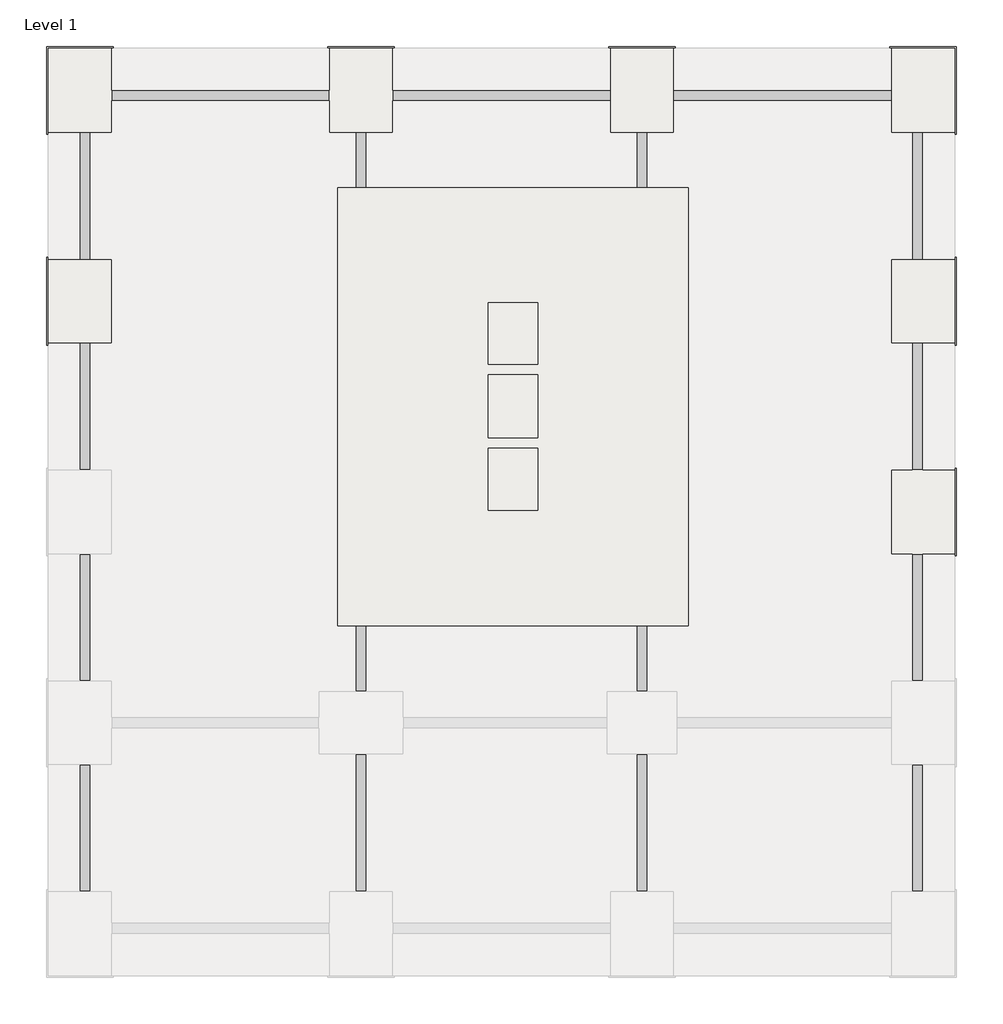
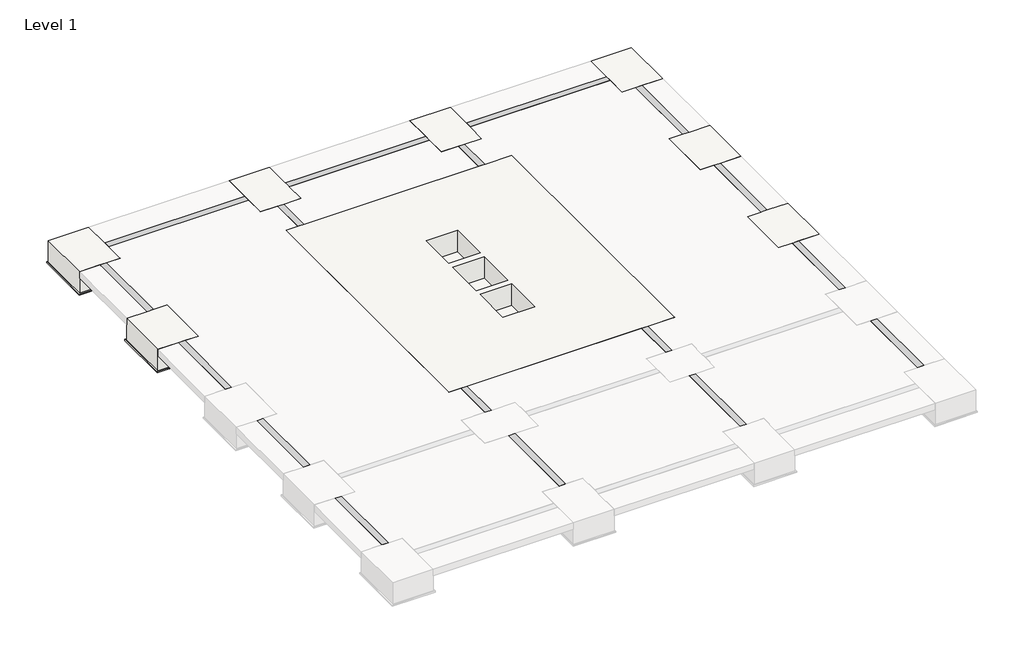
# One storey, part 2 of 2: 9 slabs, 5 beams.
"""IFC4 building model written with IfcOpenShell, lengths in millimetres."""

import ifcopenshell
import ifcopenshell.guid

model = None  # the IFC model being written
_history = None  # IfcOwnerHistory: only IFC2X3 demands one
_inside = {}  # id of a spatial element -> (the spatial element, [elements in it])
_under = {}  # id of a project, library or spatial element -> (it, [spatial elements below it])
_declared = {}  # id of a project -> (the project, [libraries it declares])
_typed = {}  # id of a type object -> (the type object, [elements of that type])
_made_of = {}  # id of a material, layer set ... -> (it, [elements and type objects made of it])


def new_model(schema):
    """Start an empty IFC model of exactly this schema.

    Asked for "IFC4X3", IfcOpenShell would pick the latest addendum, in which some entities
    have other attributes; the version numbers below select the first issue.
    IFC2X3 requires an IfcOwnerHistory on every rooted entity: one is made here for all.
    """
    global model, _history
    if schema == "IFC4X3":
        model = ifcopenshell.file(schema_version=(4, 3, 0, 0))
    else:
        model = ifcopenshell.file(schema=schema)
    _inside.clear()
    _under.clear()
    _declared.clear()
    _typed.clear()
    _made_of.clear()
    _history = None
    if model.schema == "IFC2X3":
        org = make("IfcOrganization", Name="unknown")
        user = make(
            "IfcPersonAndOrganization",
            ThePerson=make("IfcPerson", FamilyName="unknown"),
            TheOrganization=org,
        )
        app = make(
            "IfcApplication",
            ApplicationDeveloper=org,
            Version="unknown",
            ApplicationFullName="unknown",
            ApplicationIdentifier="unknown",
        )
        _history = make(
            "IfcOwnerHistory",
            OwningUser=user,
            OwningApplication=app,
            ChangeAction="ADDED",
            CreationDate=0,
        )
    return model


def make(cls, **values):
    """One entity of the class cls with the attributes given. An attribute that is None is left unset."""
    return model.create_entity(
        cls, **{name: value for name, value in values.items() if value is not None}
    )


def rooted(cls, **values):
    """An entity with a GlobalId (a new one), such as an element, a storey or a relation."""
    return make(cls, GlobalId=ifcopenshell.guid.new(), OwnerHistory=_history, **values)


def si_unit(unit_type, name, prefix=None):
    """IfcSIUnit, for example si_unit("LENGTHUNIT", "METRE", prefix="MILLI")."""
    return make("IfcSIUnit", UnitType=unit_type, Prefix=prefix, Name=name)


def assignment(units):
    """IfcUnitAssignment: the units of a project."""
    return None if units is None else make("IfcUnitAssignment", Units=units)


def point(xyz):
    """IfcCartesianPoint."""
    return None if xyz is None else make("IfcCartesianPoint", Coordinates=xyz)


def direction(xyz):
    """IfcDirection."""
    return None if xyz is None else make("IfcDirection", DirectionRatios=xyz)


def frame(location, z_axis=None, x_axis=None):
    """IfcAxis2Placement3D, a coordinate frame: its origin and axes. An axis left out is left unset."""
    return make(
        "IfcAxis2Placement3D",
        Location=point(location),
        Axis=direction(z_axis),
        RefDirection=direction(x_axis),
    )


def origin():
    """The frame at (0, 0, 0) with its axes left unset."""
    return frame((0.0, 0.0, 0.0))


def place(relative_to, where):
    """IfcLocalPlacement: puts the frame where relative to a parent placement (None: the world)."""
    return make(
        "IfcLocalPlacement", PlacementRelTo=relative_to, RelativePlacement=where
    )


def context(
    kind, dimensions, precision=None, world=None, true_north=None, identifier=None
):
    """IfcGeometricRepresentationContext, for example the 3D "Model" context."""
    return make(
        "IfcGeometricRepresentationContext",
        ContextIdentifier=identifier,
        ContextType=kind,
        CoordinateSpaceDimension=dimensions,
        Precision=precision,
        WorldCoordinateSystem=world,
        TrueNorth=true_north,
    )


def project(units=None, contexts=None):
    """IfcProject with its units and contexts."""
    return rooted(
        "IfcProject",
        Name="project",
        RepresentationContexts=contexts,
        UnitsInContext=assignment(units),
    )


def spatial(cls, under=None, at=None, **own):
    """A site, building, storey or space (cls), placed at a placement, below another one or the project."""
    s = rooted(cls, ObjectPlacement=at, **own)
    if under is not None:
        _under.setdefault(under.id(), (under, []))[1].append(s)
    return s


def polyline(points):
    """IfcPolyline through the points."""
    return make("IfcPolyline", Points=[point(p) for p in points])


def outline(outer, holes=None, kind="AREA"):
    """IfcArbitraryClosedProfileDef: a profile drawn as a closed curve; with holes, ...WithVoids."""
    if holes is None:
        return make("IfcArbitraryClosedProfileDef", ProfileType=kind, OuterCurve=outer)
    return make(
        "IfcArbitraryProfileDefWithVoids",
        ProfileType=kind,
        OuterCurve=outer,
        InnerCurves=holes,
    )


def extrude(swept, where, along, depth):
    """IfcExtrudedAreaSolid: the profile swept, set in the frame where, extruded along a direction by depth."""
    return make(
        "IfcExtrudedAreaSolid",
        SweptArea=swept,
        Position=where,
        ExtrudedDirection=direction(along),
        Depth=depth,
    )


def faces_of(points, faces, orient=None, outer=None):
    """IfcFace entities. A face is a list of loops; a loop is a list of indices into points, from 0.

    orient and outer hold one flag for each loop. By default every Orientation is true, the
    first loop of a face is its IfcFaceOuterBound and the others are IfcFaceBound.
    """
    made = []
    for i, loops in enumerate(faces):
        bounds = []
        for j, loop in enumerate(loops):
            is_outer = j == 0 if outer is None else outer[i][j]
            bounds.append(
                make(
                    "IfcFaceOuterBound" if is_outer else "IfcFaceBound",
                    Bound=make("IfcPolyLoop", Polygon=[points[k] for k in loop]),
                    Orientation=True if orient is None else orient[i][j],
                )
            )
        made.append(make("IfcFace", Bounds=bounds))
    return made


def faceted_brep(points, faces, orient=None, outer=None, voids=None):
    """IfcFacetedBrep: a solid bounded by flat faces; with voids (closed shells), ...WithVoids."""
    shared = [point(p) for p in points]
    hull = make("IfcClosedShell", CfsFaces=faces_of(shared, faces, orient, outer))
    if voids is None:
        return make("IfcFacetedBrep", Outer=hull)
    return make(
        "IfcFacetedBrepWithVoids",
        Outer=hull,
        Voids=[
            make(cls, CfsFaces=faces_of(shared, fs, o, b)) for cls, fs, o, b in voids
        ],
    )


def shape(context_of_items, identifier, shape_type, items):
    """IfcShapeRepresentation: the items that make up one representation, for example the "Body"."""
    return make(
        "IfcShapeRepresentation",
        ContextOfItems=context_of_items,
        RepresentationIdentifier=identifier,
        RepresentationType=shape_type,
        Items=items,
    )


def made_of(thing, what):
    """Note that an element or type object is made of a material, layer set ...; save() writes the relation."""
    if what is not None:
        _made_of.setdefault(what.id(), (what, []))[1].append(thing)
    return thing


def element(
    cls,
    number,
    at=None,
    inside=None,
    cuts=None,
    type_object=None,
    material=None,
    context=None,
    identifier="Body",
    shape_type=None,
    held_by="IfcProductDefinitionShape",
    body=None,
    shapes=None,
    **own,
):
    """One element of the class cls, such as IfcWall. Its Tag is "e" and its number.

    at: its placement. inside: the storey or other place that contains it. cuts: it is an
    opening in that element (IfcRelVoidsElement). A single representation is given by context,
    identifier, shape_type and body (its items); several are given by shapes. held_by: the class
    of the entity that holds the representations. save() writes the other relations.
    """
    e = rooted(cls, Tag="e%d" % number, ObjectPlacement=at, **own)
    if body is not None:
        shapes = [shape(context, identifier, shape_type, body)]
    if shapes is not None:
        e.Representation = make(held_by, Representations=shapes)
    if inside is not None:
        _inside.setdefault(inside.id(), (inside, []))[1].append(e)
    if cuts is not None:
        rooted(
            "IfcRelVoidsElement", RelatingBuildingElement=cuts, RelatedOpeningElement=e
        )
    if type_object is not None:
        _typed.setdefault(type_object.id(), (type_object, []))[1].append(e)
    return made_of(e, material)


def aggregate(whole, parts):
    """IfcRelAggregates: a whole, such as a stair, and the parts it consists of."""
    return rooted("IfcRelAggregates", RelatingObject=whole, RelatedObjects=parts)


def save(model, path):
    """Write the relations noted so far, then the file.

    IfcRelAggregates (storeys below a building ...), IfcRelContainedInSpatialStructure (elements
    in a storey), IfcRelDefinesByType, IfcRelAssociatesMaterial and IfcRelDeclares: one each for
    every whole, place, type object, material and project.
    """
    for whole, parts in _under.values():
        aggregate(whole, parts)
    for where, things in _inside.values():
        rooted(
            "IfcRelContainedInSpatialStructure",
            RelatedElements=things,
            RelatingStructure=where,
        )
    for kind, things in _typed.values():
        rooted("IfcRelDefinesByType", RelatedObjects=things, RelatingType=kind)
    for what, things in _made_of.values():
        rooted("IfcRelAssociatesMaterial", RelatedObjects=things, RelatingMaterial=what)
    for by, libraries in _declared.values():
        rooted("IfcRelDeclares", RelatingContext=by, RelatedDefinitions=libraries)
    model.write(path)


model = new_model("IFC4")

# Units and contexts
model_context = context("Model", 3, world=origin())
ifc_project = project(units=[si_unit("LENGTHUNIT", "METRE", prefix="MILLI")], contexts=[model_context])

# Site, building, storey
site = spatial("IfcSite", under=ifc_project)
building = spatial("IfcBuilding", under=site)
storey = spatial("IfcBuildingStorey", under=building, Name="Level 1", Elevation=0.0)

# Beams
placement = place(None, origin())
element("IfcBeam", 1, ObjectType="M_Concrete-Rectangular Beam : 300 x 600mm", at=placement, inside=storey, context=model_context, shape_type="Brep", body=[
    faceted_brep([(4813.0143497, 13195.1838697, 0.0), (4813.0143497, 12895.1838697, 0.0), (11013.0143497, 12895.1838697, 0.0), (11013.0143497, 13195.1838697, 0.0), (4813.0143497, 12895.1838697, -300.0), (4813.0143497, 12895.1838697, -600.0), (11013.0143497, 12895.1838697, -600.0), (11013.0143497, 12895.1838697, -300.0), (4813.0143497, 13195.1838697, -600.0), (11013.0143497, 13195.1838697, -600.0), (4813.0143497, 13195.1838697, -300.0), (11013.0143497, 13195.1838697, -300.0)], [[[0, 1, 2, 3]], [[1, 4, 5, 6, 7, 2]], [[5, 8, 9, 6]], [[8, 10, 0, 3, 11, 9]], [[1, 0, 10, 8, 5, 4]], [[3, 2, 7, 6, 9, 11]]]),
    faceted_brep([(-4986.9856503, 13195.1838697, 0.0), (-11186.9856503, 13195.1838697, 0.0), (-11186.9856503, 12895.1838697, 0.0), (-4986.9856503, 12895.1838697, 0.0), (-11186.9856503, 12895.1838697, -300.0), (-11186.9856503, 12895.1838697, -600.0), (-4986.9856503, 12895.1838697, -600.0), (-4986.9856503, 12895.1838697, -300.0), (-11186.9856503, 13195.1838697, -600.0), (-4986.9856503, 13195.1838697, -600.0), (-4986.9856503, 13195.1838697, -300.0), (-11186.9856503, 13195.1838697, -300.0)], [[[0, 1, 2, 3]], [[3, 2, 4, 5, 6, 7]], [[6, 5, 8, 9]], [[1, 0, 10, 9, 8, 11]], [[2, 1, 11, 8, 5, 4]], [[0, 3, 7, 6, 9, 10]]]),
    faceted_brep([(3013.0143497, 13195.1838697, 0.0), (-3186.9856503, 13195.1838697, 0.0), (-3186.9856503, 12895.1838697, 0.0), (3013.0143497, 12895.1838697, 0.0), (-3186.9856503, 12895.1838697, -300.0), (-3186.9856503, 12895.1838697, -600.0), (3013.0143497, 12895.1838697, -600.0), (3013.0143497, 12895.1838697, -300.0), (-3186.9856503, 13195.1838697, -600.0), (3013.0143497, 13195.1838697, -600.0), (3013.0143497, 13195.1838697, -300.0), (-3186.9856503, 13195.1838697, -300.0)], [[[0, 1, 2, 3]], [[3, 2, 4, 5, 6, 7]], [[6, 5, 8, 9]], [[1, 0, 10, 9, 8, 11]], [[2, 1, 11, 8, 5, 4]], [[0, 3, 7, 6, 9, 10]]]),
])
element("IfcBeam", 2, ObjectType="M_Concrete-Rectangular Beam : 300 x 600mm", at=placement, inside=storey, context=model_context, shape_type="Brep", body=[
    faceted_brep([(11913.0143497, -6004.8161303, 0.0), (11613.0143497, -6004.8161303, 0.0), (11613.0143497, -9604.8161303, 0.0), (11913.0143497, -9604.8161303, 0.0), (11613.0143497, -6004.8161303, -300.0), (11613.0143497, -6004.8161303, -600.0), (11613.0143497, -9604.8161303, -600.0), (11613.0143497, -9604.8161303, -300.0), (11913.0143497, -6004.8161303, -600.0), (11913.0143497, -9604.8161303, -600.0), (11913.0143497, -6004.8161303, -300.0), (11913.0143497, -9604.8161303, -300.0)], [[[0, 1, 2, 3]], [[1, 4, 5, 6, 7, 2]], [[5, 8, 9, 6]], [[8, 10, 0, 3, 11, 9]], [[1, 0, 10, 8, 5, 4]], [[3, 2, 7, 6, 9, 11]]]),
    faceted_brep([(11913.0143497, 8395.1838697, 0.0), (11913.0143497, 11995.1838697, 0.0), (11613.0143497, 11995.1838697, 0.0), (11613.0143497, 8395.1838697, 0.0), (11613.0143497, 11995.1838697, -300.0), (11613.0143497, 11995.1838697, -600.0), (11613.0143497, 8395.1838697, -600.0), (11613.0143497, 8395.1838697, -300.0), (11913.0143497, 11995.1838697, -600.0), (11913.0143497, 8395.1838697, -600.0), (11913.0143497, 8395.1838697, -300.0), (11913.0143497, 11995.1838697, -300.0)], [[[0, 1, 2, 3]], [[3, 2, 4, 5, 6, 7]], [[6, 5, 8, 9]], [[1, 0, 10, 9, 8, 11]], [[2, 1, 11, 8, 5, 4]], [[0, 3, 7, 6, 9, 10]]]),
    faceted_brep([(11913.0143497, 2395.1838697, 0.0), (11913.0143497, 5995.1838697, 0.0), (11613.0143497, 5995.1838697, 0.0), (11613.0143497, 2395.1838697, 0.0), (11613.0143497, 5995.1838697, -300.0), (11613.0143497, 5995.1838697, -600.0), (11613.0143497, 2395.1838697, -600.0), (11613.0143497, 2395.1838697, -300.0), (11913.0143497, 5995.1838697, -600.0), (11913.0143497, 2395.1838697, -600.0), (11913.0143497, 2395.1838697, -300.0), (11913.0143497, 5995.1838697, -300.0)], [[[0, 1, 2, 3]], [[3, 2, 4, 5, 6, 7]], [[6, 5, 8, 9]], [[1, 0, 10, 9, 8, 11]], [[2, 1, 11, 8, 5, 4]], [[0, 3, 7, 6, 9, 10]]]),
    faceted_brep([(11913.0143497, -3604.8161303, 0.0), (11913.0143497, -4.8161303, 0.0), (11613.0143497, -4.8161303, 0.0), (11613.0143497, -3604.8161303, 0.0), (11613.0143497, -4.8161303, -300.0), (11613.0143497, -4.8161303, -600.0), (11613.0143497, -3604.8161303, -600.0), (11613.0143497, -3604.8161303, -300.0), (11913.0143497, -4.8161303, -600.0), (11913.0143497, -3604.8161303, -600.0), (11913.0143497, -3604.8161303, -300.0), (11913.0143497, -4.8161303, -300.0)], [[[0, 1, 2, 3]], [[3, 2, 4, 5, 6, 7]], [[6, 5, 8, 9]], [[1, 0, 10, 9, 8, 11]], [[2, 1, 11, 8, 5, 4]], [[0, 3, 7, 6, 9, 10]]]),
])
element("IfcBeam", 3, ObjectType="M_Concrete-Rectangular Beam : 300 x 600mm", at=placement, inside=storey, context=model_context, shape_type="Brep", body=[
    faceted_brep([(-12086.9856503, 11995.1838697, 0.0), (-12086.9856503, 8395.1838697, 0.0), (-11786.9856503, 8395.1838697, 0.0), (-11786.9856503, 11995.1838697, 0.0), (-11786.9856503, 8395.1838697, -300.0), (-11786.9856503, 8395.1838697, -600.0), (-11786.9856503, 11995.1838697, -600.0), (-11786.9856503, 11995.1838697, -300.0), (-12086.9856503, 8395.1838697, -600.0), (-12086.9856503, 11995.1838697, -600.0), (-12086.9856503, 11995.1838697, -300.0), (-12086.9856503, 8395.1838697, -300.0)], [[[0, 1, 2, 3]], [[3, 2, 4, 5, 6, 7]], [[6, 5, 8, 9]], [[1, 0, 10, 9, 8, 11]], [[0, 3, 7, 6, 9, 10]], [[2, 1, 11, 8, 5, 4]]]),
    faceted_brep([(-11786.9856503, 2395.1838697, 0.0), (-11786.9856503, 5995.1838697, 0.0), (-12086.9856503, 5995.1838697, 0.0), (-12086.9856503, 2395.1838697, 0.0), (-11786.9856503, 2395.1838697, -300.0), (-11786.9856503, 2395.1838697, -600.0), (-11786.9856503, 5995.1838697, -600.0), (-11786.9856503, 5995.1838697, -300.0), (-12086.9856503, 2395.1838697, -600.0), (-12086.9856503, 5995.1838697, -600.0), (-12086.9856503, 5995.1838697, -300.0), (-12086.9856503, 2395.1838697, -300.0)], [[[0, 1, 2, 3]], [[1, 0, 4, 5, 6, 7]], [[6, 5, 8, 9]], [[3, 2, 10, 9, 8, 11]], [[2, 1, 7, 6, 9, 10]], [[0, 3, 11, 8, 5, 4]]]),
    faceted_brep([(-12086.9856503, -4.8161303, 0.0), (-12086.9856503, -3604.8161303, 0.0), (-11786.9856503, -3604.8161303, 0.0), (-11786.9856503, -4.8161303, 0.0), (-11786.9856503, -3604.8161303, -300.0), (-11786.9856503, -3604.8161303, -600.0), (-11786.9856503, -4.8161303, -600.0), (-11786.9856503, -4.8161303, -300.0), (-12086.9856503, -3604.8161303, -600.0), (-12086.9856503, -4.8161303, -600.0), (-12086.9856503, -4.8161303, -300.0), (-12086.9856503, -3604.8161303, -300.0)], [[[0, 1, 2, 3]], [[3, 2, 4, 5, 6, 7]], [[6, 5, 8, 9]], [[1, 0, 10, 9, 8, 11]], [[0, 3, 7, 6, 9, 10]], [[2, 1, 11, 8, 5, 4]]]),
    faceted_brep([(-11786.9856503, -6004.8161303, 0.0), (-12086.9856503, -6004.8161303, 0.0), (-12086.9856503, -9604.8161303, 0.0), (-11786.9856503, -9604.8161303, 0.0), (-11786.9856503, -6004.8161303, -600.0), (-11786.9856503, -6004.8161303, -300.0), (-11786.9856503, -9604.8161303, -300.0), (-11786.9856503, -9604.8161303, -600.0), (-12086.9856503, -6004.8161303, -600.0), (-12086.9856503, -9604.8161303, -600.0), (-12086.9856503, -6004.8161303, -300.0), (-12086.9856503, -9604.8161303, -300.0)], [[[0, 1, 2, 3]], [[4, 5, 0, 3, 6, 7]], [[8, 4, 7, 9]], [[1, 10, 8, 9, 11, 2]], [[1, 0, 5, 4, 8, 10]], [[3, 2, 11, 9, 7, 6]]]),
])
element("IfcBeam", 4, ObjectType="M_Concrete-Rectangular Beam : 300 x 600mm", at=placement, inside=storey, context=model_context, shape_type="Brep", body=[
    faceted_brep([(-4236.9856503, 11995.1838697, 0.0), (-3936.9856503, 11995.1838697, 0.0), (-3936.9856503, 11995.1838697, -300.0), (-3936.9856503, 11995.1838697, -600.0), (-4236.9856503, 11995.1838697, -600.0), (-4236.9856503, 11995.1838697, -300.0), (-4236.9856503, 10445.1838697, 0.0), (-3936.9856503, 10445.1838697, 0.0), (-3936.9856503, 10445.1838697, -300.0), (-3936.9856503, 10445.1838697, -600.0), (-4236.9856503, 10445.1838697, -600.0), (-4236.9856503, 10445.1838697, -300.0)], [[[0, 1, 2, 3, 4, 5]], [[1, 0, 6, 7]], [[3, 2, 1, 7, 8, 9]], [[4, 3, 9, 10]], [[0, 5, 4, 10, 11, 6]], [[7, 6, 11, 10, 9, 8]]]),
    faceted_brep([(-4236.9856503, -9604.8161303, 0.0), (-4236.9856503, -9604.8161303, -300.0), (-4236.9856503, -9604.8161303, -600.0), (-3936.9856503, -9604.8161303, -600.0), (-3936.9856503, -9604.8161303, -300.0), (-3936.9856503, -9604.8161303, 0.0), (-4236.9856503, -5704.8161303, 0.0), (-3936.9856503, -5704.8161303, 0.0), (-3936.9856503, -5704.8161303, -300.0), (-3936.9856503, -5704.8161303, -600.0), (-4236.9856503, -5704.8161303, -600.0), (-4236.9856503, -5704.8161303, -300.0)], [[[0, 1, 2, 3, 4, 5]], [[6, 7, 8, 9, 10, 11]], [[0, 5, 7, 6]], [[5, 4, 3, 9, 8, 7]], [[3, 2, 10, 9]], [[2, 1, 0, 6, 11, 10]]]),
    faceted_brep([(-3936.9856503, -3904.8161303, 0.0), (-4236.9856503, -3904.8161303, 0.0), (-4236.9856503, -3904.8161303, -300.0), (-4236.9856503, -3904.8161303, -600.0), (-3936.9856503, -3904.8161303, -600.0), (-3936.9856503, -3904.8161303, -300.0), (-4236.9856503, -2054.8161303, 0.0), (-3936.9856503, -2054.8161303, 0.0), (-3936.9856503, -2054.8161303, -300.0), (-3936.9856503, -2054.8161303, -600.0), (-4236.9856503, -2054.8161303, -600.0), (-4236.9856503, -2054.8161303, -300.0)], [[[0, 1, 2, 3, 4, 5]], [[6, 7, 8, 9, 10, 11]], [[1, 0, 7, 6]], [[0, 5, 4, 9, 8, 7]], [[4, 3, 10, 9]], [[3, 2, 1, 6, 11, 10]]]),
])
element("IfcBeam", 5, ObjectType="M_Concrete-Rectangular Beam : 300 x 600mm", at=placement, inside=storey, context=model_context, shape_type="Brep", body=[
    faceted_brep([(3763.0143497, 11995.1838697, 0.0), (4063.0143497, 11995.1838697, 0.0), (4063.0143497, 11995.1838697, -300.0), (4063.0143497, 11995.1838697, -600.0), (3763.0143497, 11995.1838697, -600.0), (3763.0143497, 11995.1838697, -300.0), (3763.0143497, 10445.1838697, 0.0), (4063.0143497, 10445.1838697, 0.0), (4063.0143497, 10445.1838697, -300.0), (4063.0143497, 10445.1838697, -600.0), (3763.0143497, 10445.1838697, -600.0), (3763.0143497, 10445.1838697, -300.0)], [[[0, 1, 2, 3, 4, 5]], [[1, 0, 6, 7]], [[3, 2, 1, 7, 8, 9]], [[4, 3, 9, 10]], [[0, 5, 4, 10, 11, 6]], [[7, 6, 11, 10, 9, 8]]]),
    faceted_brep([(3763.0143497, -9604.8161303, 0.0), (3763.0143497, -9604.8161303, -300.0), (3763.0143497, -9604.8161303, -600.0), (4063.0143497, -9604.8161303, -600.0), (4063.0143497, -9604.8161303, -300.0), (4063.0143497, -9604.8161303, 0.0), (3763.0143497, -5704.8161303, 0.0), (4063.0143497, -5704.8161303, 0.0), (4063.0143497, -5704.8161303, -300.0), (4063.0143497, -5704.8161303, -600.0), (3763.0143497, -5704.8161303, -600.0), (3763.0143497, -5704.8161303, -300.0)], [[[0, 1, 2, 3, 4, 5]], [[6, 7, 8, 9, 10, 11]], [[0, 5, 7, 6]], [[5, 4, 3, 9, 8, 7]], [[3, 2, 10, 9]], [[2, 1, 0, 6, 11, 10]]]),
    faceted_brep([(4063.0143497, -3904.8161303, 0.0), (3763.0143497, -3904.8161303, 0.0), (3763.0143497, -3904.8161303, -300.0), (3763.0143497, -3904.8161303, -600.0), (4063.0143497, -3904.8161303, -600.0), (4063.0143497, -3904.8161303, -300.0), (3763.0143497, -2054.8161303, 0.0), (4063.0143497, -2054.8161303, 0.0), (4063.0143497, -2054.8161303, -300.0), (4063.0143497, -2054.8161303, -600.0), (3763.0143497, -2054.8161303, -600.0), (3763.0143497, -2054.8161303, -300.0)], [[[0, 1, 2, 3, 4, 5]], [[6, 7, 8, 9, 10, 11]], [[1, 0, 7, 6]], [[0, 5, 4, 9, 8, 7]], [[4, 3, 10, 9]], [[3, 2, 1, 6, 11, 10]]]),
])

# Slabs
element("IfcSlab", 6, ObjectType="1000", at=placement, inside=storey, context=model_context, shape_type="Brep", body=[
    faceted_brep([(-1756.8616472, -54.8161303, -2000.0), (-1756.8616472, 8445.1838697, -2000.0), (2243.1383528, 8445.1838697, -2000.0), (2243.1383528, -54.8161303, -2000.0), (-2756.8616472, 9445.1838697, -1000.0), (-2756.8616472, -1054.8161303, -1000.0), (3243.1383528, -1054.8161303, -1000.0), (3243.1383528, 9445.1838697, -1000.0)], [[[0, 1, 2, 3]], [[4, 5, 6, 7]], [[0, 5, 4, 1]], [[5, 0, 3, 6]], [[6, 3, 2, 7]], [[1, 4, 7, 2]]]),
])
element("IfcSlab", 7, ObjectType="1000", at=placement, inside=storey, context=model_context, shape_type="Brep", body=[
    faceted_brep([(5243.1383528, 10445.1838697, -1000.0), (5243.1383528, -2054.8161303, -1000.0), (-4756.8616472, -2054.8161303, -1000.0), (-4756.8616472, 10445.1838697, -1000.0), (943.1383528, 7145.1838697, -1000.0), (-456.8616472, 7145.1838697, -1000.0), (-456.8616472, 5405.1838697, -1000.0), (943.1383528, 5405.1838697, -1000.0), (-456.8616472, 3005.1838697, -1000.0), (-456.8616472, 1245.1838697, -1000.0), (943.1383528, 1245.1838697, -1000.0), (943.1383528, 3005.1838697, -1000.0), (943.1383528, 5105.1838697, -1000.0), (-456.8616472, 5105.1838697, -1000.0), (-456.8616472, 3305.1838697, -1000.0), (943.1383528, 3305.1838697, -1000.0), (5243.1383528, 10445.1838697, 0.0), (4063.0143497, 10445.1838697, 0.0), (3763.0143497, 10445.1838697, 0.0), (-3936.9856503, 10445.1838697, 0.0), (-4236.9856503, 10445.1838697, 0.0), (-4756.8616472, 10445.1838697, 0.0), (-4756.8616472, -2054.8161303, 0.0), (-4236.9856503, -2054.8161303, 0.0), (-3936.9856503, -2054.8161303, 0.0), (3763.0143497, -2054.8161303, 0.0), (4063.0143497, -2054.8161303, 0.0), (5243.1383528, -2054.8161303, 0.0), (943.1383528, 7145.1838697, 0.0), (943.1383528, 5405.1838697, 0.0), (-456.8616472, 5405.1838697, 0.0), (-456.8616472, 7145.1838697, 0.0), (-456.8616472, 3005.1838697, 0.0), (943.1383528, 3005.1838697, 0.0), (943.1383528, 1245.1838697, 0.0), (-456.8616472, 1245.1838697, 0.0), (943.1383528, 5105.1838697, 0.0), (943.1383528, 3305.1838697, 0.0), (-456.8616472, 3305.1838697, 0.0), (-456.8616472, 5105.1838697, 0.0), (5243.1383528, 10445.1838697, -300.0), (5243.1383528, -2054.8161303, -300.0), (-4756.8616472, -2054.8161303, -300.0), (-4756.8616472, 10445.1838697, -300.0)], [[[0, 1, 2, 3], [4, 5, 6, 7], [8, 9, 10, 11], [12, 13, 14, 15]], [[16, 17, 18, 19, 20, 21, 22, 23, 24, 25, 26, 27], [28, 29, 30, 31], [32, 33, 34, 35], [36, 37, 38, 39]], [[1, 0, 40, 16, 27, 41]], [[2, 1, 41, 27, 26, 25, 24, 23, 22, 42]], [[3, 2, 42, 22, 21, 43]], [[0, 3, 43, 21, 20, 19, 18, 17, 16, 40]], [[5, 4, 28, 31]], [[9, 8, 32, 35]], [[10, 9, 35, 34]], [[4, 7, 29, 28]], [[6, 5, 31, 30]], [[7, 6, 30, 29]], [[11, 10, 34, 33]], [[8, 11, 33, 32]], [[13, 12, 36, 39]], [[14, 13, 39, 38]], [[15, 14, 38, 37]], [[12, 15, 37, 36]]]),
])
element("IfcSlab", 8, ObjectType="M_Footing-Rectangular : 2400 x 1800 x 1000mm", at=placement, inside=storey, context=model_context, shape_type="SolidModel", body=[
    faceted_brep([(-11186.9856503, 14395.1838697, 0.0), (-12986.9856503, 14395.1838697, 0.0), (-12986.9856503, 11995.1838697, 0.0), (-12086.9856503, 11995.1838697, 0.0), (-11786.9856503, 11995.1838697, 0.0), (-11186.9856503, 11995.1838697, 0.0), (-11186.9856503, 12895.1838697, 0.0), (-11186.9856503, 13195.1838697, 0.0), (-11186.9856503, 14395.1838697, -1000.0), (-11186.9856503, 11995.1838697, -1000.0), (-12986.9856503, 11995.1838697, -1000.0), (-12986.9856503, 14395.1838697, -1000.0), (-11186.9856503, 14395.1838697, -300.0), (-12986.9856503, 11995.1838697, -300.0), (-11186.9856503, 11995.1838697, -300.0)], [[[0, 1, 2, 3, 4, 5, 6, 7]], [[8, 9, 10, 11]], [[1, 0, 12, 8, 11]], [[2, 1, 11, 10, 13]], [[5, 4, 3, 2, 13, 10, 9, 14]], [[0, 7, 6, 5, 14, 9, 8, 12]]]),
    extrude(outline(polyline([(-11136.9856503, 14445.1838697), (-11136.9856503, 11945.1838697), (-13036.9856503, 11945.1838697), (-13036.9856503, 14445.1838697), (-11136.9856503, 14445.1838697)])), frame((0.0, 0.0, -1050.0), z_axis=(0.0, 0.0, 1.0), x_axis=(1.0, 0.0, 0.0)), (0.0, 0.0, 1.0), 50.0),
])
element("IfcSlab", 9, ObjectType="M_Footing-Rectangular : 2400 x 1800 x 1000mm", at=placement, inside=storey, context=model_context, shape_type="SolidModel", body=[
    faceted_brep([(-11186.9856503, 8395.1838697, 0.0), (-11786.9856503, 8395.1838697, 0.0), (-12086.9856503, 8395.1838697, 0.0), (-12986.9856503, 8395.1838697, 0.0), (-12986.9856503, 5995.1838697, 0.0), (-12086.9856503, 5995.1838697, 0.0), (-11786.9856503, 5995.1838697, 0.0), (-11186.9856503, 5995.1838697, 0.0), (-11186.9856503, 8395.1838697, -1000.0), (-11186.9856503, 5995.1838697, -1000.0), (-12986.9856503, 5995.1838697, -1000.0), (-12986.9856503, 8395.1838697, -1000.0), (-11186.9856503, 8395.1838697, -300.0), (-12986.9856503, 8395.1838697, -300.0), (-12986.9856503, 5995.1838697, -300.0), (-11186.9856503, 5995.1838697, -300.0)], [[[0, 1, 2, 3, 4, 5, 6, 7]], [[8, 9, 10, 11]], [[3, 2, 1, 0, 12, 8, 11, 13]], [[4, 3, 13, 11, 10, 14]], [[7, 6, 5, 4, 14, 10, 9, 15]], [[0, 7, 15, 9, 8, 12]]]),
    extrude(outline(polyline([(-11136.9856503, 8445.1838697), (-11136.9856503, 5945.1838697), (-13036.9856503, 5945.1838697), (-13036.9856503, 8445.1838697), (-11136.9856503, 8445.1838697)])), frame((0.0, 0.0, -1050.0), z_axis=(0.0, 0.0, 1.0), x_axis=(1.0, 0.0, 0.0)), (0.0, 0.0, 1.0), 50.0),
])
element("IfcSlab", 10, ObjectType="M_Footing-Rectangular : 2400 x 1800 x 1000mm", at=placement, inside=storey, context=model_context, shape_type="SolidModel", body=[
    faceted_brep([(-3186.9856503, 14395.1838697, 0.0), (-4986.9856503, 14395.1838697, 0.0), (-4986.9856503, 13195.1838697, 0.0), (-4986.9856503, 12895.1838697, 0.0), (-4986.9856503, 11995.1838697, 0.0), (-4236.9856503, 11995.1838697, 0.0), (-3936.9856503, 11995.1838697, 0.0), (-3186.9856503, 11995.1838697, 0.0), (-3186.9856503, 12895.1838697, 0.0), (-3186.9856503, 13195.1838697, 0.0), (-3186.9856503, 14395.1838697, -1000.0), (-3186.9856503, 11995.1838697, -1000.0), (-4986.9856503, 11995.1838697, -1000.0), (-4986.9856503, 14395.1838697, -1000.0), (-3186.9856503, 14395.1838697, -300.0), (-4986.9856503, 14395.1838697, -300.0), (-4986.9856503, 11995.1838697, -300.0), (-3186.9856503, 11995.1838697, -300.0)], [[[0, 1, 2, 3, 4, 5, 6, 7, 8, 9]], [[10, 11, 12, 13]], [[1, 0, 14, 10, 13, 15]], [[4, 3, 2, 1, 15, 13, 12, 16]], [[7, 6, 5, 4, 16, 12, 11, 17]], [[0, 9, 8, 7, 17, 11, 10, 14]]]),
    extrude(outline(polyline([(-3136.9856503, 14445.1838697), (-3136.9856503, 11945.1838697), (-5036.9856503, 11945.1838697), (-5036.9856503, 14445.1838697), (-3136.9856503, 14445.1838697)])), frame((0.0, 0.0, -1050.0), z_axis=(0.0, 0.0, 1.0), x_axis=(1.0, 0.0, 0.0)), (0.0, 0.0, 1.0), 50.0),
])
element("IfcSlab", 11, ObjectType="M_Footing-Rectangular : 2400 x 1800 x 1000mm", at=placement, inside=storey, context=model_context, shape_type="SolidModel", body=[
    faceted_brep([(4813.0143497, 14395.1838697, 0.0), (3013.0143497, 14395.1838697, 0.0), (3013.0143497, 13195.1838697, 0.0), (3013.0143497, 12895.1838697, 0.0), (3013.0143497, 11995.1838697, 0.0), (3763.0143497, 11995.1838697, 0.0), (4063.0143497, 11995.1838697, 0.0), (4813.0143497, 11995.1838697, 0.0), (4813.0143497, 12895.1838697, 0.0), (4813.0143497, 13195.1838697, 0.0), (4813.0143497, 14395.1838697, -1000.0), (4813.0143497, 11995.1838697, -1000.0), (3013.0143497, 11995.1838697, -1000.0), (3013.0143497, 14395.1838697, -1000.0), (4813.0143497, 14395.1838697, -300.0), (3013.0143497, 14395.1838697, -300.0), (3013.0143497, 11995.1838697, -300.0), (4813.0143497, 11995.1838697, -300.0)], [[[0, 1, 2, 3, 4, 5, 6, 7, 8, 9]], [[10, 11, 12, 13]], [[1, 0, 14, 10, 13, 15]], [[4, 3, 2, 1, 15, 13, 12, 16]], [[7, 6, 5, 4, 16, 12, 11, 17]], [[0, 9, 8, 7, 17, 11, 10, 14]]]),
    extrude(outline(polyline([(4863.0143497, 14445.1838697), (4863.0143497, 11945.1838697), (2963.0143497, 11945.1838697), (2963.0143497, 14445.1838697), (4863.0143497, 14445.1838697)])), frame((0.0, 0.0, -1050.0), z_axis=(0.0, 0.0, 1.0), x_axis=(1.0, 0.0, 0.0)), (0.0, 0.0, 1.0), 50.0),
])
element("IfcSlab", 12, ObjectType="M_Footing-Rectangular : 2400 x 1800 x 1000mm", at=placement, inside=storey, context=model_context, shape_type="SolidModel", body=[
    faceted_brep([(12813.0143497, 14395.1838697, 0.0), (11013.0143497, 14395.1838697, 0.0), (11013.0143497, 13195.1838697, 0.0), (11013.0143497, 12895.1838697, 0.0), (11013.0143497, 11995.1838697, 0.0), (11613.0143497, 11995.1838697, 0.0), (11913.0143497, 11995.1838697, 0.0), (12813.0143497, 11995.1838697, 0.0), (12813.0143497, 14395.1838697, -1000.0), (12813.0143497, 11995.1838697, -1000.0), (11013.0143497, 11995.1838697, -1000.0), (11013.0143497, 14395.1838697, -1000.0), (11013.0143497, 14395.1838697, -300.0), (11013.0143497, 11995.1838697, -300.0), (12813.0143497, 11995.1838697, -300.0)], [[[0, 1, 2, 3, 4, 5, 6, 7]], [[8, 9, 10, 11]], [[1, 0, 8, 11, 12]], [[4, 3, 2, 1, 12, 11, 10, 13]], [[7, 6, 5, 4, 13, 10, 9, 14]], [[0, 7, 14, 9, 8]]]),
    extrude(outline(polyline([(12863.0143497, 14445.1838697), (12863.0143497, 11945.1838697), (10963.0143497, 11945.1838697), (10963.0143497, 14445.1838697), (12863.0143497, 14445.1838697)])), frame((0.0, 0.0, -1050.0), z_axis=(0.0, 0.0, 1.0), x_axis=(1.0, 0.0, 0.0)), (0.0, 0.0, 1.0), 50.0),
])
element("IfcSlab", 13, ObjectType="M_Footing-Rectangular : 2400 x 1800 x 1000mm", at=placement, inside=storey, context=model_context, shape_type="SolidModel", body=[
    faceted_brep([(12813.0143497, 8395.1838697, 0.0), (11913.0143497, 8395.1838697, 0.0), (11613.0143497, 8395.1838697, 0.0), (11013.0143497, 8395.1838697, 0.0), (11013.0143497, 5995.1838697, 0.0), (11613.0143497, 5995.1838697, 0.0), (11913.0143497, 5995.1838697, 0.0), (12813.0143497, 5995.1838697, 0.0), (12813.0143497, 8395.1838697, -1000.0), (12813.0143497, 5995.1838697, -1000.0), (11013.0143497, 5995.1838697, -1000.0), (11013.0143497, 8395.1838697, -1000.0), (12813.0143497, 8395.1838697, -300.0), (11013.0143497, 8395.1838697, -300.0), (11013.0143497, 5995.1838697, -300.0), (12813.0143497, 5995.1838697, -300.0)], [[[0, 1, 2, 3, 4, 5, 6, 7]], [[8, 9, 10, 11]], [[3, 2, 1, 0, 12, 8, 11, 13]], [[4, 3, 13, 11, 10, 14]], [[7, 6, 5, 4, 14, 10, 9, 15]], [[0, 7, 15, 9, 8, 12]]]),
    extrude(outline(polyline([(12863.0143497, 8445.1838697), (12863.0143497, 5945.1838697), (10963.0143497, 5945.1838697), (10963.0143497, 8445.1838697), (12863.0143497, 8445.1838697)])), frame((0.0, 0.0, -1050.0), z_axis=(0.0, 0.0, 1.0), x_axis=(1.0, 0.0, 0.0)), (0.0, 0.0, 1.0), 50.0),
])
element("IfcSlab", 14, ObjectType="M_Footing-Rectangular : 2400 x 1800 x 1000mm", at=placement, inside=storey, context=model_context, shape_type="SolidModel", body=[
    faceted_brep([(12813.0143497, 2395.1838697, 0.0), (11913.0143497, 2395.1838697, 0.0), (11613.0143497, 2395.1838697, 0.0), (11013.0143497, 2395.1838697, 0.0), (11013.0143497, -4.8161303, 0.0), (11613.0143497, -4.8161303, 0.0), (11913.0143497, -4.8161303, 0.0), (12813.0143497, -4.8161303, 0.0), (12813.0143497, 2395.1838697, -1000.0), (12813.0143497, -4.8161303, -1000.0), (11013.0143497, -4.8161303, -1000.0), (11013.0143497, 2395.1838697, -1000.0), (12813.0143497, 2395.1838697, -300.0), (11013.0143497, 2395.1838697, -300.0), (11013.0143497, -4.8161303, -300.0), (12813.0143497, -4.8161303, -300.0)], [[[0, 1, 2, 3, 4, 5, 6, 7]], [[8, 9, 10, 11]], [[3, 2, 1, 0, 12, 8, 11, 13]], [[4, 3, 13, 11, 10, 14]], [[7, 6, 5, 4, 14, 10, 9, 15]], [[0, 7, 15, 9, 8, 12]]]),
    extrude(outline(polyline([(12863.0143497, 2445.1838697), (12863.0143497, -54.8161303), (10963.0143497, -54.8161303), (10963.0143497, 2445.1838697), (12863.0143497, 2445.1838697)])), frame((0.0, 0.0, -1050.0), z_axis=(0.0, 0.0, 1.0), x_axis=(1.0, 0.0, 0.0)), (0.0, 0.0, 1.0), 50.0),
])

save(model, "model.ifc")
